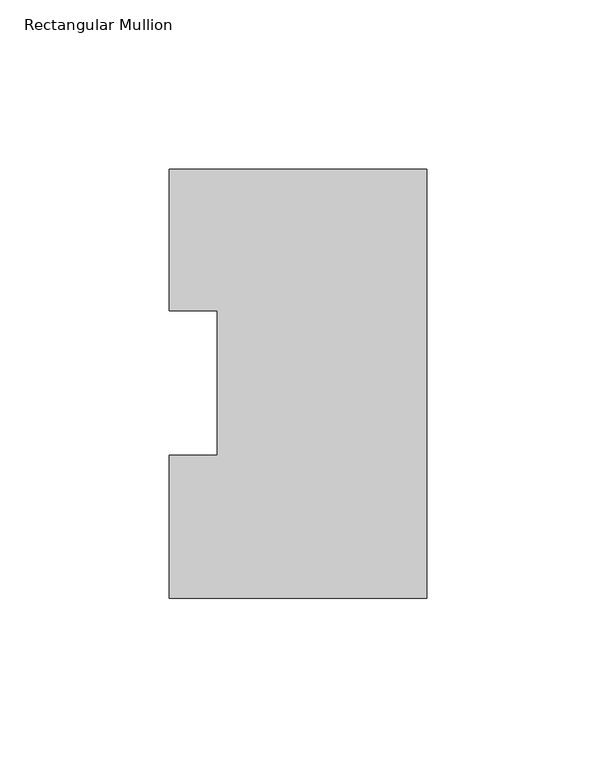
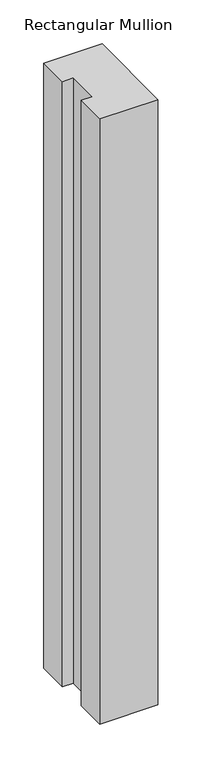
"""IFC4 building model written with IfcOpenShell, lengths in millimetres: member geometry, Rectangular Mullion."""

import ifcopenshell
import ifcopenshell.guid

model = None  # the IFC model being written
_history = None  # IfcOwnerHistory: only IFC2X3 demands one
_inside = {}  # id of a spatial element -> (the spatial element, [elements in it])
_under = {}  # id of a project, library or spatial element -> (it, [spatial elements below it])
_declared = {}  # id of a project -> (the project, [libraries it declares])
_typed = {}  # id of a type object -> (the type object, [elements of that type])
_made_of = {}  # id of a material, layer set ... -> (it, [elements and type objects made of it])


def new_model(schema):
    """Start an empty IFC model of exactly this schema.

    Asked for "IFC4X3", IfcOpenShell would pick the latest addendum, in which some entities
    have other attributes; the version numbers below select the first issue.
    IFC2X3 requires an IfcOwnerHistory on every rooted entity: one is made here for all.
    """
    global model, _history
    if schema == "IFC4X3":
        model = ifcopenshell.file(schema_version=(4, 3, 0, 0))
    else:
        model = ifcopenshell.file(schema=schema)
    _inside.clear()
    _under.clear()
    _declared.clear()
    _typed.clear()
    _made_of.clear()
    _history = None
    if model.schema == "IFC2X3":
        org = make("IfcOrganization", Name="unknown")
        user = make(
            "IfcPersonAndOrganization",
            ThePerson=make("IfcPerson", FamilyName="unknown"),
            TheOrganization=org,
        )
        app = make(
            "IfcApplication",
            ApplicationDeveloper=org,
            Version="unknown",
            ApplicationFullName="unknown",
            ApplicationIdentifier="unknown",
        )
        _history = make(
            "IfcOwnerHistory",
            OwningUser=user,
            OwningApplication=app,
            ChangeAction="ADDED",
            CreationDate=0,
        )
    return model


def make(cls, **values):
    """One entity of the class cls with the attributes given. An attribute that is None is left unset."""
    return model.create_entity(
        cls, **{name: value for name, value in values.items() if value is not None}
    )


def rooted(cls, **values):
    """An entity with a GlobalId (a new one), such as an element, a storey or a relation."""
    return make(cls, GlobalId=ifcopenshell.guid.new(), OwnerHistory=_history, **values)


def si_unit(unit_type, name, prefix=None):
    """IfcSIUnit, for example si_unit("LENGTHUNIT", "METRE", prefix="MILLI")."""
    return make("IfcSIUnit", UnitType=unit_type, Prefix=prefix, Name=name)


def assignment(units):
    """IfcUnitAssignment: the units of a project."""
    return None if units is None else make("IfcUnitAssignment", Units=units)


def point(xyz):
    """IfcCartesianPoint."""
    return None if xyz is None else make("IfcCartesianPoint", Coordinates=xyz)


def direction(xyz):
    """IfcDirection."""
    return None if xyz is None else make("IfcDirection", DirectionRatios=xyz)


def frame(location, z_axis=None, x_axis=None):
    """IfcAxis2Placement3D, a coordinate frame: its origin and axes. An axis left out is left unset."""
    return make(
        "IfcAxis2Placement3D",
        Location=point(location),
        Axis=direction(z_axis),
        RefDirection=direction(x_axis),
    )


def origin():
    """The frame at (0, 0, 0) with its axes left unset."""
    return frame((0.0, 0.0, 0.0))


def place(relative_to, where):
    """IfcLocalPlacement: puts the frame where relative to a parent placement (None: the world)."""
    return make(
        "IfcLocalPlacement", PlacementRelTo=relative_to, RelativePlacement=where
    )


def context(
    kind, dimensions, precision=None, world=None, true_north=None, identifier=None
):
    """IfcGeometricRepresentationContext, for example the 3D "Model" context."""
    return make(
        "IfcGeometricRepresentationContext",
        ContextIdentifier=identifier,
        ContextType=kind,
        CoordinateSpaceDimension=dimensions,
        Precision=precision,
        WorldCoordinateSystem=world,
        TrueNorth=true_north,
    )


def project(units=None, contexts=None):
    """IfcProject with its units and contexts."""
    return rooted(
        "IfcProject",
        Name="project",
        RepresentationContexts=contexts,
        UnitsInContext=assignment(units),
    )


def spatial(cls, under=None, at=None, **own):
    """A site, building, storey or space (cls), placed at a placement, below another one or the project."""
    s = rooted(cls, ObjectPlacement=at, **own)
    if under is not None:
        _under.setdefault(under.id(), (under, []))[1].append(s)
    return s


def polyline(points):
    """IfcPolyline through the points."""
    return make("IfcPolyline", Points=[point(p) for p in points])


def outline(outer, holes=None, kind="AREA"):
    """IfcArbitraryClosedProfileDef: a profile drawn as a closed curve; with holes, ...WithVoids."""
    if holes is None:
        return make("IfcArbitraryClosedProfileDef", ProfileType=kind, OuterCurve=outer)
    return make(
        "IfcArbitraryProfileDefWithVoids",
        ProfileType=kind,
        OuterCurve=outer,
        InnerCurves=holes,
    )


def extrude(swept, where, along, depth):
    """IfcExtrudedAreaSolid: the profile swept, set in the frame where, extruded along a direction by depth."""
    return make(
        "IfcExtrudedAreaSolid",
        SweptArea=swept,
        Position=where,
        ExtrudedDirection=direction(along),
        Depth=depth,
    )


def shape(context_of_items, identifier, shape_type, items):
    """IfcShapeRepresentation: the items that make up one representation, for example the "Body"."""
    return make(
        "IfcShapeRepresentation",
        ContextOfItems=context_of_items,
        RepresentationIdentifier=identifier,
        RepresentationType=shape_type,
        Items=items,
    )


def source(mapping_origin, context_of_items, identifier, shape_type, items):
    """IfcRepresentationMap: a shape defined once, which mapped items show again and again."""
    return make(
        "IfcRepresentationMap",
        MappingOrigin=mapping_origin,
        MappedRepresentation=shape(context_of_items, identifier, shape_type, items),
    )


def transform(
    local_origin,
    x_axis=None,
    y_axis=None,
    z_axis=None,
    scale=None,
    scale2=None,
    scale3=None,
    uniform=True,
):
    """IfcCartesianTransformationOperator3D, or its non-uniform kind. x_axis, y_axis, z_axis: its Axis1, 2, 3."""
    if uniform:
        return make(
            "IfcCartesianTransformationOperator3D",
            Axis1=direction(x_axis),
            Axis2=direction(y_axis),
            LocalOrigin=point(local_origin),
            Scale=scale,
            Axis3=direction(z_axis),
        )
    return make(
        "IfcCartesianTransformationOperator3DnonUniform",
        Axis1=direction(x_axis),
        Axis2=direction(y_axis),
        LocalOrigin=point(local_origin),
        Scale=scale,
        Axis3=direction(z_axis),
        Scale2=scale2,
        Scale3=scale3,
    )


def mapped(mapping_source, mapping_target):
    """IfcMappedItem: shows the shape of a source again, moved by a transform."""
    return make(
        "IfcMappedItem", MappingSource=mapping_source, MappingTarget=mapping_target
    )


def made_of(thing, what):
    """Note that an element or type object is made of a material, layer set ...; save() writes the relation."""
    if what is not None:
        _made_of.setdefault(what.id(), (what, []))[1].append(thing)
    return thing


def element(
    cls,
    number,
    at=None,
    inside=None,
    cuts=None,
    type_object=None,
    material=None,
    context=None,
    identifier="Body",
    shape_type=None,
    held_by="IfcProductDefinitionShape",
    body=None,
    shapes=None,
    **own,
):
    """One element of the class cls, such as IfcWall. Its Tag is "e" and its number.

    at: its placement. inside: the storey or other place that contains it. cuts: it is an
    opening in that element (IfcRelVoidsElement). A single representation is given by context,
    identifier, shape_type and body (its items); several are given by shapes. held_by: the class
    of the entity that holds the representations. save() writes the other relations.
    """
    e = rooted(cls, Tag="e%d" % number, ObjectPlacement=at, **own)
    if body is not None:
        shapes = [shape(context, identifier, shape_type, body)]
    if shapes is not None:
        e.Representation = make(held_by, Representations=shapes)
    if inside is not None:
        _inside.setdefault(inside.id(), (inside, []))[1].append(e)
    if cuts is not None:
        rooted(
            "IfcRelVoidsElement", RelatingBuildingElement=cuts, RelatedOpeningElement=e
        )
    if type_object is not None:
        _typed.setdefault(type_object.id(), (type_object, []))[1].append(e)
    return made_of(e, material)


def aggregate(whole, parts):
    """IfcRelAggregates: a whole, such as a stair, and the parts it consists of."""
    return rooted("IfcRelAggregates", RelatingObject=whole, RelatedObjects=parts)


def save(model, path):
    """Write the relations noted so far, then the file.

    IfcRelAggregates (storeys below a building ...), IfcRelContainedInSpatialStructure (elements
    in a storey), IfcRelDefinesByType, IfcRelAssociatesMaterial and IfcRelDeclares: one each for
    every whole, place, type object, material and project.
    """
    for whole, parts in _under.values():
        aggregate(whole, parts)
    for where, things in _inside.values():
        rooted(
            "IfcRelContainedInSpatialStructure",
            RelatedElements=things,
            RelatingStructure=where,
        )
    for kind, things in _typed.values():
        rooted("IfcRelDefinesByType", RelatedObjects=things, RelatingType=kind)
    for what, things in _made_of.values():
        rooted("IfcRelAssociatesMaterial", RelatedObjects=things, RelatingMaterial=what)
    for by, libraries in _declared.values():
        rooted("IfcRelDeclares", RelatingContext=by, RelatedDefinitions=libraries)
    model.write(path)


def rectangular_mullion_3072ec2e(model_context):
    return source(origin(), model_context, "Body", "SweptSolid", [
        extrude(outline(polyline([(0.0, 126.9888875), (0.0, -0.0111125), (-76.1989149, -0.0111125), (-76.1989149, 42.2798875), (-61.9139549, 42.2798875), (-61.9139549, 85.1296875), (-76.1989149, 85.1296875), (-76.1989149, 126.9888875), (0.0, 126.9888875)])), frame((0.0, 0.0, -839.7738413), z_axis=(0.0, 0.0, 1.0), x_axis=(1.0, 0.0, 0.0)), (0.0, 0.0, 1.0), 839.7738413),
    ])


if __name__ == "__main__":
    model = new_model("IFC4")
    model_context = context("Model", 3, world=origin())
    ifc_project = project(units=[si_unit("LENGTHUNIT", "METRE", prefix="MILLI")], contexts=[model_context])
    site = spatial("IfcSite", under=ifc_project)
    building = spatial("IfcBuilding", under=site)
    placement = place(None, origin())
    rectangular_mullion_shape = rectangular_mullion_3072ec2e(model_context)
    element("IfcMember", 1, ObjectType="Rectangular Mullion", at=placement, inside=building, context=model_context, shape_type="MappedRepresentation", body=[
        mapped(rectangular_mullion_shape, transform((0.0, 0.0, 0.0), x_axis=(1.0, 0.0, 0.0), y_axis=(0.0, 1.0, 0.0), z_axis=(0.0, 0.0, 1.0))),
    ])
    save(model, "model.ifc")
